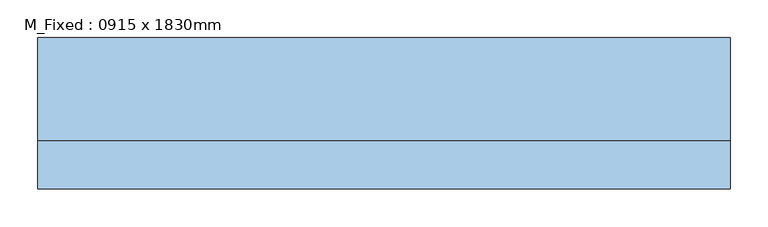
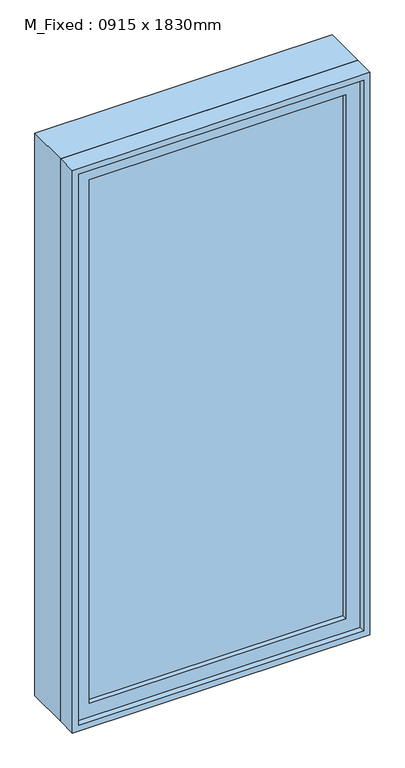
"""IFC4 building model written with IfcOpenShell, lengths in millimetres: window geometry, M_Fixed : 0915 x 1830mm."""

from ifc_helpers import new_model, si_unit, frame, origin, place, context, project, spatial, polyline, outline, extrude, source, transform, mapped, element, save


def m_fixed_0915_x_1830mm_ed32443c(model_context):
    return source(origin(), model_context, "Body", "SweptSolid", [
        extrude(outline(polyline([(-394.5, -78.0), (-394.5, -66.0), (394.5, -66.0), (394.5, -78.0), (-394.5, -78.0)])), frame((0.0, 0.0, 368.0), z_axis=(0.0, 0.0, 1.0), x_axis=(1.0, 0.0, 0.0)), (0.0, 0.0, 1.0), 1704.0),
        extrude(outline(polyline([(2116.0, -438.5), (324.0, -438.5), (324.0, 438.5), (2116.0, 438.5), (2116.0, -438.5)]), holes=[polyline([(2072.0, -394.5), (2072.0, 394.5), (368.0, 394.5), (368.0, -394.5), (2072.0, -394.5)])]), frame((0.0, -94.0, 0.0), z_axis=(0.0, 1.0, 0.0), x_axis=(0.0, 0.0, 1.0)), (0.0, 0.0, 1.0), 44.0),
        extrude(outline(polyline([(2135.0, -457.5), (305.0, -457.5), (305.0, 457.5), (2135.0, 457.5), (2135.0, -457.5)]), holes=[polyline([(2116.0, -438.5), (2116.0, 438.5), (324.0, 438.5), (324.0, -438.5), (2116.0, -438.5)])]), frame((0.0, -113.0, 0.0), z_axis=(0.0, 1.0, 0.0), x_axis=(0.0, 0.0, 1.0)), (0.0, 0.0, 1.0), 63.0),
        extrude(outline(polyline([(2135.0, -457.5), (305.0, -457.5), (305.0, 457.5), (2135.0, 457.5), (2135.0, -457.5)]), holes=[polyline([(2103.0, -425.5), (2103.0, 425.5), (337.0, 425.5), (337.0, -425.5), (2103.0, -425.5)])]), frame((0.0, -50.0, 0.0), z_axis=(0.0, 1.0, 0.0), x_axis=(0.0, 0.0, 1.0)), (0.0, 0.0, 1.0), 137.0),
    ])


if __name__ == "__main__":
    model = new_model("IFC4")
    model_context = context("Model", 3, world=origin())
    ifc_project = project(units=[si_unit("LENGTHUNIT", "METRE", prefix="MILLI")], contexts=[model_context])
    site = spatial("IfcSite", under=ifc_project)
    building = spatial("IfcBuilding", under=site)
    placement = place(None, origin())
    m_fixed_0915_x_1830mm_shape = m_fixed_0915_x_1830mm_ed32443c(model_context)
    element("IfcWindow", 1, ObjectType="M_Fixed : 0915 x 1830mm", at=placement, inside=building, context=model_context, shape_type="MappedRepresentation", body=[
        mapped(m_fixed_0915_x_1830mm_shape, transform((0.0, 0.0, 0.0), x_axis=(1.0, 0.0, 0.0), y_axis=(0.0, 1.0, 0.0), z_axis=(0.0, 0.0, 1.0))),
    ])
    save(model, "model.ifc")
